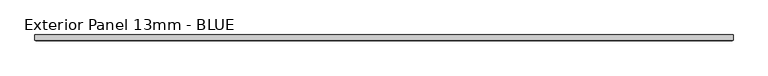
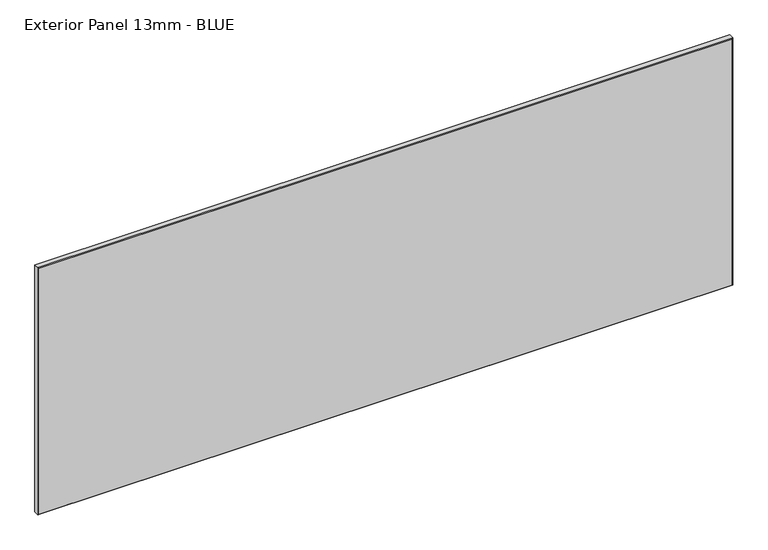
"""IFC4 building model written with IfcOpenShell, lengths in millimetres: proxy geometry, Exterior Panel 13mm - BLUE."""

from ifc_helpers import new_model, si_unit, origin, place, context, project, spatial, faceted_brep, source, transform, mapped, element, save


def exterior_panel_13mm_blue_e6d27c46(model_context):
    return source(origin(), model_context, "Body", "Brep", [
        faceted_brep([(1112.8375, 6.35, 571.5), (-406.4, 6.35, 571.5), (-406.4, -4.7625, 571.5), (1112.8375, -4.7625, 571.5), (1112.8375, 6.35, 0.0), (1112.8375, -4.7625, 0.0), (-406.4, -4.7625, 0.0), (-406.4, 6.35, 0.0), (-404.8125, -6.35, 569.9125), (-404.8125, -6.35, 1.5875), (1111.25, -6.35, 1.5875), (1111.25, -6.35, 569.9125)], [[[0, 1, 2, 3]], [[4, 5, 6, 7]], [[1, 0, 4, 7]], [[2, 1, 7, 6]], [[8, 9, 10, 11]], [[0, 3, 5, 4]], [[2, 6, 9, 8]], [[5, 3, 11, 10]], [[3, 2, 8, 11]], [[6, 5, 10, 9]]]),
    ])


if __name__ == "__main__":
    model = new_model("IFC4")
    model_context = context("Model", 3, world=origin())
    ifc_project = project(units=[si_unit("LENGTHUNIT", "METRE", prefix="MILLI")], contexts=[model_context])
    site = spatial("IfcSite", under=ifc_project)
    building = spatial("IfcBuilding", under=site)
    placement = place(None, origin())
    exterior_panel_13mm_blue_shape = exterior_panel_13mm_blue_e6d27c46(model_context)
    element("IfcBuildingElementProxy", 1, Name="Exterior Panel 13mm - BLUE", ObjectType="Exterior Panel 13mm - BLUE", at=placement, inside=building, context=model_context, shape_type="MappedRepresentation", body=[
        mapped(exterior_panel_13mm_blue_shape, transform((0.0, 0.0, 0.0), x_axis=(1.0, 0.0, 0.0), y_axis=(0.0, 1.0, 0.0), z_axis=(0.0, 0.0, 1.0))),
    ])
    save(model, "model.ifc")
